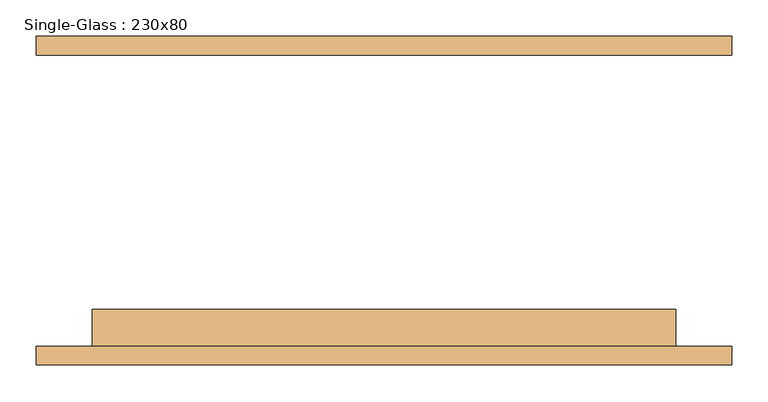
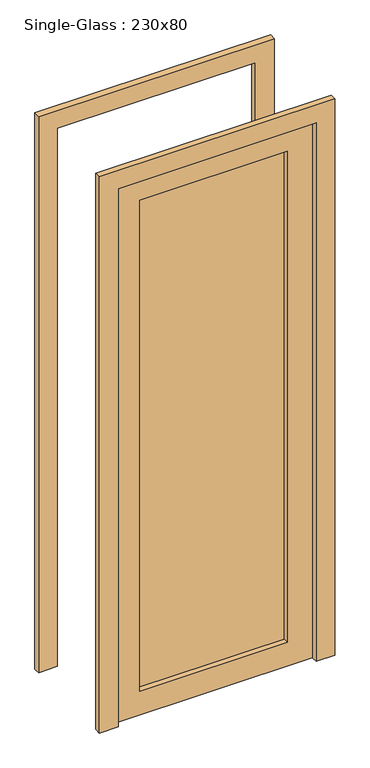
"""IFC4 building model written with IfcOpenShell, lengths in millimetres: door geometry, Single-Glass : 230x80."""

from ifc_helpers import new_model, si_unit, frame, origin, place, context, project, spatial, polyline, outline, extrude, source, transform, mapped, element, save


def single_glass_230x80_c95ba304(model_context):
    return source(origin(), model_context, "Body", "SweptSolid", [
        extrude(outline(polyline([(2300.0, 400.0), (0.0, 400.0), (0.0, 476.2), (2376.2, 476.2), (2376.2, -476.2), (0.0, -476.2), (0.0, -400.0), (2300.0, -400.0), (2300.0, 400.0)])), frame((0.0, 200.0, 0.0), z_axis=(0.0, 1.0, 0.0), x_axis=(0.0, 0.0, 1.0)), (0.0, 0.0, 1.0), 25.4),
        extrude(outline(polyline([(2300.0, 400.0), (0.0, 400.0), (0.0, 476.2), (2376.2, 476.2), (2376.2, -476.2), (0.0, -476.2), (0.0, -400.0), (2300.0, -400.0), (2300.0, 400.0)])), frame((0.0, -225.4, 0.0), z_axis=(0.0, 1.0, 0.0), x_axis=(0.0, 0.0, 1.0)), (0.0, 0.0, 1.0), 25.4),
        extrude(outline(polyline([(298.4, -171.425), (298.4, -177.775), (-298.4, -177.775), (-298.4, -171.425), (298.4, -171.425)])), frame((0.0, 0.0, 101.6), z_axis=(0.0, 0.0, 1.0), x_axis=(1.0, 0.0, 0.0)), (0.0, 0.0, 1.0), 2096.8),
        extrude(outline(polyline([(2300.0, 400.0), (2300.0, -400.0), (0.0, -400.0), (0.0, 400.0), (2300.0, 400.0)]), holes=[polyline([(2198.4, -298.4), (2198.4, 298.4), (101.6, 298.4), (101.6, -298.4), (2198.4, -298.4)])]), frame((0.0, -200.0, 0.0), z_axis=(0.0, 1.0, 0.0), x_axis=(0.0, 0.0, 1.0)), (0.0, 0.0, 1.0), 50.8),
    ])


if __name__ == "__main__":
    model = new_model("IFC4")
    model_context = context("Model", 3, world=origin())
    ifc_project = project(units=[si_unit("LENGTHUNIT", "METRE", prefix="MILLI")], contexts=[model_context])
    site = spatial("IfcSite", under=ifc_project)
    building = spatial("IfcBuilding", under=site)
    placement = place(None, origin())
    single_glass_230x80_shape = single_glass_230x80_c95ba304(model_context)
    element("IfcDoor", 1, ObjectType="Single-Glass : 230x80", at=placement, inside=building, context=model_context, shape_type="MappedRepresentation", body=[
        mapped(single_glass_230x80_shape, transform((0.0, 0.0, 0.0), x_axis=(1.0, 0.0, 0.0), y_axis=(0.0, 1.0, 0.0), z_axis=(0.0, 0.0, 1.0))),
    ])
    save(model, "model.ifc")
